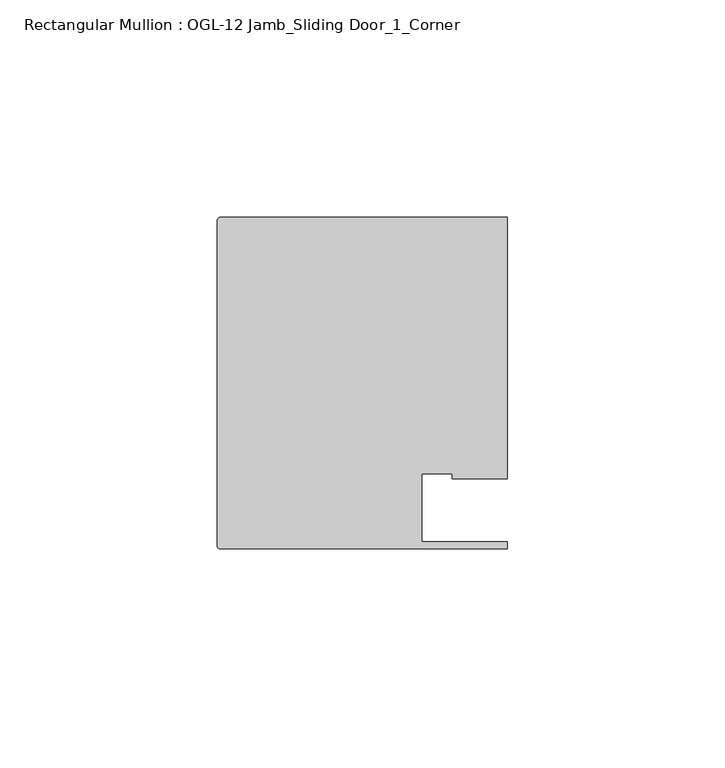
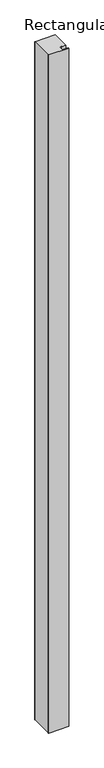
"""IFC4 building model written with IfcOpenShell, lengths in millimetres: member geometry, Rectangular Mullion : OGL-12 Jamb_Sliding Door_1_Corner."""

from ifc_helpers import new_model, si_unit, point, frame, frame_2d, origin, place, context, project, spatial, polyline, circle_curve, trimmed, segment, composite_curve, outline, extrude, source, transform, mapped, element, save


def rectangular_mullion_ogl_12_jamb_sliding_door_1_corner_c8446ce6(model_context):
    return source(origin(), model_context, "Body", "SweptSolid", [
        extrude(outline(composite_curve([segment(polyline([(47.0121851, -6.350016), (66.6649711, -6.350016), (66.6649711, -7.937516), (0.5953125, -7.937516)]), True, "CONTINUOUS"), segment(trimmed(circle_curve(frame_2d((0.5953125, -7.3422035)), 0.5953125), [point((0.5953125, -7.937516))], [point((0.0, -7.3422035))], False, "CARTESIAN"), True, "CONTINUOUS"), segment(polyline([(0.0, -7.3422035), (0.0, 67.6668667)]), True, "CONTINUOUS"), segment(trimmed(circle_curve(frame_2d((0.5953125, 67.6668667)), 0.5953125), [point((0.0, 67.6668667))], [point((0.5953125, 68.2621792))], False, "CARTESIAN"), True, "CONTINUOUS"), segment(polyline([(0.5953125, 68.2621792), (66.6740655, 68.2621792), (66.6740655, 8.1914024), (54.0386602, 8.1914024), (54.0386602, 9.3367652), (47.0121851, 9.3367652), (47.0121851, -6.350016)]), True, "CONTINUOUS")], self_intersect=False)), frame((0.0, 0.0, -2349.4916588), z_axis=(0.0, 0.0, 1.0), x_axis=(1.0, 0.0, 0.0)), (0.0, 0.0, 1.0), 2349.4916588),
    ])


if __name__ == "__main__":
    model = new_model("IFC4")
    model_context = context("Model", 3, world=origin())
    ifc_project = project(units=[si_unit("LENGTHUNIT", "METRE", prefix="MILLI")], contexts=[model_context])
    site = spatial("IfcSite", under=ifc_project)
    building = spatial("IfcBuilding", under=site)
    placement = place(None, origin())
    rectangular_mullion_ogl_12_jamb_sliding_door_1_corner_shape = rectangular_mullion_ogl_12_jamb_sliding_door_1_corner_c8446ce6(model_context)
    element("IfcMember", 1, ObjectType="Rectangular Mullion : OGL-12 Jamb_Sliding Door_1_Corner", at=placement, inside=building, context=model_context, shape_type="MappedRepresentation", body=[
        mapped(rectangular_mullion_ogl_12_jamb_sliding_door_1_corner_shape, transform((0.0, 0.0, 0.0), x_axis=(1.0, 0.0, 0.0), y_axis=(0.0, 1.0, 0.0), z_axis=(0.0, 0.0, 1.0))),
    ])
    save(model, "model.ifc")
